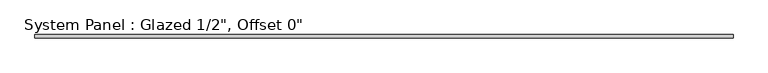
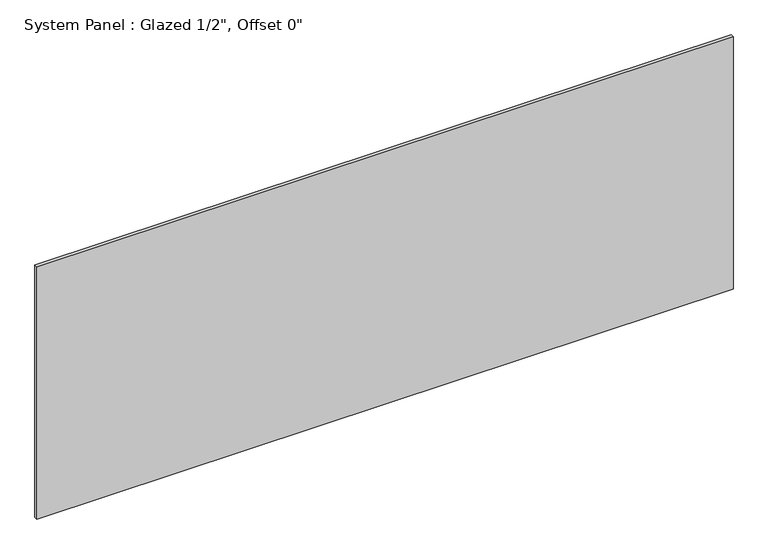
"""IFC4 building model written with IfcOpenShell, lengths in millimetres: plate geometry."""

from ifc_helpers import new_model, si_unit, origin, origin_with_axes, place, context, project, spatial, polyline, outline, extrude, source, transform, mapped, element, save


def plate_adc33bf2(model_context):
    return source(origin(), model_context, "Body", "SweptSolid", [
        extrude(outline(polyline([(1260.475, -6.35), (-1260.475, -6.35), (-1260.475, 6.35), (1260.475, 6.35), (1260.475, -6.35)])), origin_with_axes(), (0.0, 0.0, 1.0), 965.2),
    ])


if __name__ == "__main__":
    model = new_model("IFC4")
    model_context = context("Model", 3, world=origin())
    ifc_project = project(units=[si_unit("LENGTHUNIT", "METRE", prefix="MILLI")], contexts=[model_context])
    site = spatial("IfcSite", under=ifc_project)
    building = spatial("IfcBuilding", under=site)
    placement = place(None, origin())
    plate_shape = plate_adc33bf2(model_context)
    element("IfcPlate", 1, ObjectType="System Panel : Glazed 1/2\", Offset 0\"", at=placement, inside=building, context=model_context, shape_type="MappedRepresentation", body=[
        mapped(plate_shape, transform((0.0, 0.0, 0.0), x_axis=(1.0, 0.0, 0.0), y_axis=(0.0, 1.0, 0.0), z_axis=(0.0, 0.0, 1.0))),
    ])
    save(model, "model.ifc")
